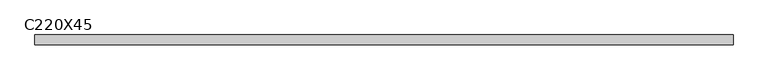
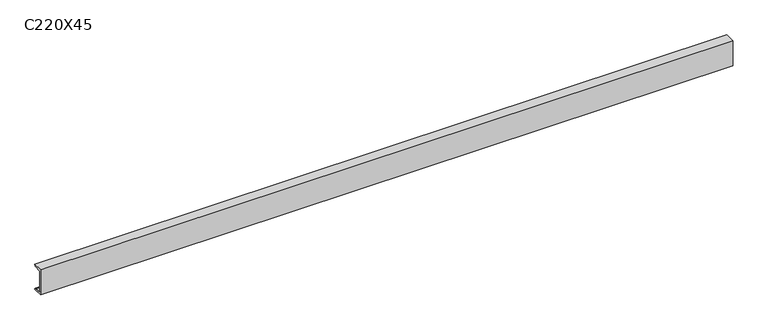
"""IFC4 building model written with IfcOpenShell, lengths in millimetres: beam geometry, C220X45."""

from ifc_helpers import new_model, si_unit, point, frame, frame_2d, origin, place, context, project, spatial, polyline, circle_curve, trimmed, segment, composite_curve, outline, extrude, source, transform, mapped, element, save


def c220x45_79258aa2(model_context):
    return source(origin(), model_context, "Body", "SweptSolid", [
        extrude(outline(composite_curve([segment(polyline([(-17.0, 110.0), (64.0, 110.0)]), True, "CONTINUOUS"), segment(trimmed(circle_curve(frame_2d((51.0, 110.0)), 13.0), [point((64.0, 110.0))], [point((51.0, 97.0))], False, "CARTESIAN"), True, "CONTINUOUS"), segment(polyline([(51.0, 97.0), (-4.0, 88.2888558), (-4.0, -88.2888558), (51.0, -97.0)]), True, "CONTINUOUS"), segment(trimmed(circle_curve(frame_2d((51.0, -110.0)), 13.0), [point((51.0, -97.0))], [point((64.0, -110.0))], False, "CARTESIAN"), True, "CONTINUOUS"), segment(polyline([(64.0, -110.0), (-17.0, -110.0), (-17.0, 110.0)]), True, "CONTINUOUS")], self_intersect=False)), frame((-2876.0, 0.0, 0.0), z_axis=(1.0, 0.0, 0.0), x_axis=(0.0, 1.0, 0.0)), (0.0, 0.0, 1.0), 5752.0),
    ])


if __name__ == "__main__":
    model = new_model("IFC4")
    model_context = context("Model", 3, world=origin())
    ifc_project = project(units=[si_unit("LENGTHUNIT", "METRE", prefix="MILLI")], contexts=[model_context])
    site = spatial("IfcSite", under=ifc_project)
    building = spatial("IfcBuilding", under=site)
    placement = place(None, origin())
    c220x45_shape = c220x45_79258aa2(model_context)
    element("IfcBeam", 1, ObjectType="C220X45", at=placement, inside=building, context=model_context, shape_type="MappedRepresentation", body=[
        mapped(c220x45_shape, transform((0.0, 0.0, 0.0), x_axis=(1.0, 0.0, 0.0), y_axis=(0.0, 1.0, 0.0), z_axis=(0.0, 0.0, 1.0))),
    ])
    save(model, "model.ifc")
